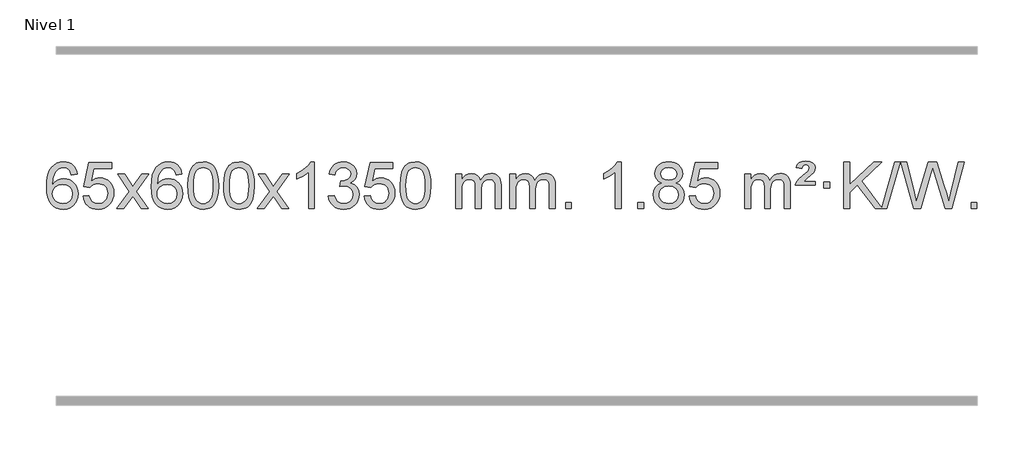
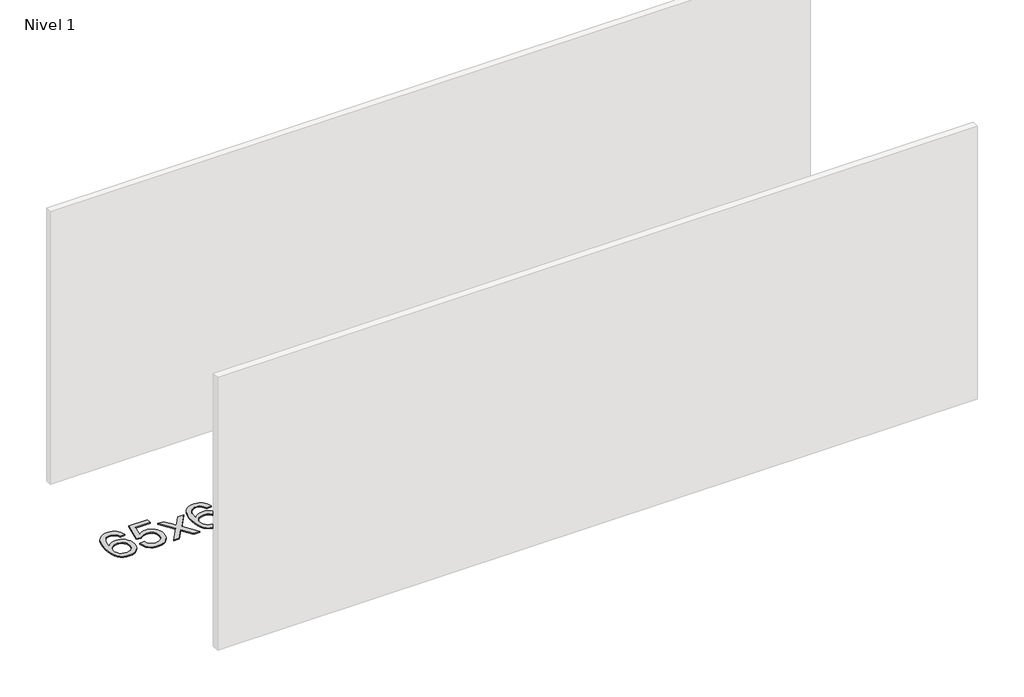
# One storey, part 6 of 7: 1 proxy.
"""IFC4 building model written with IfcOpenShell, lengths in millimetres."""

from ifc_helpers import new_model, si_unit, origin, origin_with_axes, place, context, project, spatial, polyline, outline, extrude, element, save

model = new_model("IFC4")

# Units and contexts
model_context = context("Model", 3, world=origin())
ifc_project = project(units=[si_unit("LENGTHUNIT", "METRE", prefix="MILLI")], contexts=[model_context])

# Site, building, storey
site = spatial("IfcSite", under=ifc_project)
building = spatial("IfcBuilding", under=site)
storey = spatial("IfcBuildingStorey", under=building, Name="Nivel 1", Elevation=0.0)

# Proxy
placement = place(None, origin())
element("IfcBuildingElementProxy", 1, Name="Texto de modelo 1", ObjectType="Texto de modelo 1", at=placement, inside=storey, context=model_context, shape_type="SweptSolid", body=[
    extrude(outline(polyline([(-6352.5741406, -96.4890419), (-6402.8022957, -102.7675613), (-6410.8956996, -77.874213), (-6421.8340576, -60.8780648), (-6444.6182158, -45.2062918), (-6472.1603145, -39.9823675), (-6495.5085585, -43.0235253), (-6517.4833763, -52.1469988), (-6536.3557227, -71.3627017), (-6551.7699783, -97.8134171), (-6562.1810387, -135.227016), (-6566.0437997, -187.3313693), (-6545.8961291, -163.8237098), (-6521.7508075, -147.2567573), (-6494.9567355, -137.434308), (-6466.8628138, -134.1601582), (-6442.7297549, -136.398107), (-6420.4606315, -143.1119534), (-6400.0554435, -154.3016975), (-6381.5141909, -169.9673391), (-6366.1060667, -189.1769106), (-6355.1002637, -210.9984443), (-6348.4967818, -235.4319401), (-6346.2956212, -262.4773982), (-6350.440425, -298.4439945), (-6362.8748365, -331.786366), (-6382.568786, -360.0642287), (-6408.4922039, -380.8372987), (-6439.4678679, -393.602804), (-6474.3185556, -397.8579724), (-6504.2610843, -395.0375437), (-6531.3034766, -386.5762579), (-6555.4457325, -372.4741147), (-6576.6878521, -352.7311143), (-6594.005897, -326.5133908), (-6606.3759291, -292.9870783), (-6613.7979483, -252.1521768), (-6616.2719548, -204.0086864), (-6613.5251025, -150.0342663), (-6605.2845458, -103.9693092), (-6591.5502847, -65.8138149), (-6572.3223191, -35.5677835), (-6551.481804, -15.5243462), (-6527.3180883, -1.2076052), (-6499.8311719, 7.3824394), (-6469.0210548, 10.2457876), (-6445.8874087, 8.4738227), (-6424.9487918, 3.1579278), (-6406.2052042, -5.7018969), (-6389.6566457, -18.1056515), (-6375.7507063, -33.6364031), (-6364.9349757, -51.8772186), (-6357.2094538, -72.8280983), (-6352.5741406, -96.4890419)]), holes=[polyline([(-6566.0437997, -261.6925832), (-6563.1375319, -283.9494439), (-6554.4187286, -305.2007605), (-6540.8806712, -323.472233), (-6523.516641, -336.7895612), (-6502.5596301, -344.9197533), (-6478.2426302, -347.6298173), (-6445.0964624, -342.0134855), (-6431.1813259, -334.9930708), (-6419.0381544, -325.1644901), (-6409.188114, -312.9262824), (-6402.1523708, -298.6769865), (-6396.5237763, -264.1451299), (-6402.0787944, -230.9989621), (-6409.0225671, -217.3781312), (-6418.7438488, -205.725469), (-6430.9238085, -196.3904634), (-6445.2436152, -189.7226022), (-6480.3027693, -184.3883133), (-6513.3998862, -189.7226022), (-6541.0768749, -205.725469), (-6551.9999045, -217.2248471), (-6559.8020685, -230.3858254), (-6564.4833669, -245.2084042), (-6566.0437997, -261.6925832)])]), origin_with_axes(), (0.0, 0.0, 1.0), 10.0),
    extrude(outline(polyline([(-6302.3459855, -284.8446235), (-6252.1178305, -278.5661041), (-6242.8962551, -308.7201649), (-6226.8075492, -330.3148381), (-6203.9252891, -343.3010725), (-6174.3230512, -347.6298173), (-6155.1931875, -346.1245668), (-6138.3196666, -341.6088153), (-6123.7024887, -334.0825628), (-6111.3416537, -323.5458094), (-6101.513073, -310.519721), (-6094.4926583, -295.5254641), (-6088.8763265, -259.6324441), (-6094.137039, -225.8363514), (-6100.7129297, -211.9181493), (-6109.9191766, -199.9865099), (-6121.7864366, -190.4154467), (-6136.3453666, -183.5789729), (-6173.5382363, -178.1097939), (-6197.9042871, -180.2925604), (-6217.6350248, -186.8408599), (-6233.3926369, -196.8717757), (-6245.8393111, -209.5023908), (-6296.0674662, -203.2238715), (-6252.1178305, 3.9672682), (-6057.4837296, 3.9672682), (-6057.4837296, -46.2608869), (-6211.5036582, -46.2608869), (-6232.9879667, -156.919791), (-6215.2621859, -144.2155994), (-6197.1072095, -135.1411769), (-6178.5230373, -129.6965234), (-6159.5096696, -127.8816388), (-6135.0485826, -130.1318504), (-6112.5801897, -136.882485), (-6092.104491, -148.1335427), (-6073.6214864, -163.8850234), (-6058.3206611, -183.1743027), (-6047.3915002, -205.038756), (-6040.8340036, -229.4783832), (-6038.6481714, -256.4931844), (-6040.6163401, -282.5147042), (-6046.5208461, -306.7213394), (-6056.3616895, -329.1130902), (-6070.1388702, -349.6899565), (-6091.0100421, -370.7634634), (-6115.3638301, -385.8159684), (-6143.2002344, -394.8474714), (-6174.519255, -397.8579724), (-6200.4396072, -395.9235262), (-6223.8522305, -390.1201877), (-6244.7571249, -380.447957), (-6263.1542903, -366.9068338), (-6278.461247, -350.1712688), (-6290.0955151, -330.915712), (-6298.0570946, -309.1401636), (-6302.3459855, -284.8446235)])), origin_with_axes(), (0.0, 0.0, 1.0), 10.0),
    extrude(outline(polyline([(-6013.5340939, -391.579453), (-5906.2106531, -243.2494325), (-6007.2555745, -96.4890419), (-5946.8248254, -96.4890419), (-5898.0681983, -167.122385), (-5875.3085655, -200.4770192), (-5855.5900906, -173.2047007), (-5800.0644348, -96.4890419), (-5739.6336857, -96.4890419), (-5845.7799041, -243.2494325), (-5743.5577603, -391.579453), (-5803.9885094, -391.579453), (-5865.498379, -302.4048574), (-5876.7800935, -286.1199477), (-5953.1033448, -391.579453), (-6013.5340939, -391.579453)])), origin_with_axes(), (0.0, 0.0, 1.0), 10.0),
    extrude(outline(polyline([(-5454.7458687, -96.4890419), (-5504.9740237, -102.7675613), (-5513.0674276, -77.874213), (-5524.0057856, -60.8780648), (-5546.7899439, -45.2062918), (-5574.3320426, -39.9823675), (-5597.6802865, -43.0235253), (-5619.6551044, -52.1469988), (-5638.5274507, -71.3627017), (-5653.9417063, -97.8134171), (-5664.3527668, -135.227016), (-5668.2155277, -187.3313693), (-5648.0678571, -163.8237098), (-5623.9225355, -147.2567573), (-5597.1284635, -137.434308), (-5569.0345418, -134.1601582), (-5544.9014829, -136.398107), (-5522.6323595, -143.1119534), (-5502.2271715, -154.3016975), (-5483.6859189, -169.9673391), (-5468.2777947, -189.1769106), (-5457.2719917, -210.9984443), (-5450.6685099, -235.4319401), (-5448.4673493, -262.4773982), (-5452.6121531, -298.4439945), (-5465.0465645, -331.786366), (-5484.740514, -360.0642287), (-5510.6639319, -380.8372987), (-5541.6395959, -393.602804), (-5576.4902836, -397.8579724), (-5606.4328123, -395.0375437), (-5633.4752046, -386.5762579), (-5657.6174606, -372.4741147), (-5678.8595801, -352.7311143), (-5696.177625, -326.5133908), (-5708.5476571, -292.9870783), (-5715.9696764, -252.1521768), (-5718.4436828, -204.0086864), (-5715.6968306, -150.0342663), (-5707.4562739, -103.9693092), (-5693.7220127, -65.8138149), (-5674.4940471, -35.5677835), (-5653.6535321, -15.5243462), (-5629.4898164, -1.2076052), (-5602.0029, 7.3824394), (-5571.1927829, 10.2457876), (-5548.0591367, 8.4738227), (-5527.1205198, 3.1579278), (-5508.3769322, -5.7018969), (-5491.8283738, -18.1056515), (-5477.9224344, -33.6364031), (-5467.1067037, -51.8772186), (-5459.3811818, -72.8280983), (-5454.7458687, -96.4890419)]), holes=[polyline([(-5668.2155277, -261.6925832), (-5665.30926, -283.9494439), (-5656.5904567, -305.2007605), (-5643.0523993, -323.472233), (-5625.6883691, -336.7895612), (-5604.7313581, -344.9197533), (-5580.4143582, -347.6298173), (-5547.2681904, -342.0134855), (-5533.353054, -334.9930708), (-5521.2098825, -325.1644901), (-5511.359842, -312.9262824), (-5504.3240989, -298.6769865), (-5498.6955043, -264.1451299), (-5504.2505225, -230.9989621), (-5511.1942951, -217.3781312), (-5520.9155769, -205.725469), (-5533.0955366, -196.3904634), (-5547.4153432, -189.7226022), (-5582.4744974, -184.3883133), (-5615.5716142, -189.7226022), (-5643.248603, -205.725469), (-5654.1716326, -217.2248471), (-5661.9737965, -230.3858254), (-5666.6550949, -245.2084042), (-5668.2155277, -261.6925832)])]), origin_with_axes(), (0.0, 0.0, 1.0), 10.0),
    extrude(outline(polyline([(-5404.5177136, -193.9041943), (-5400.8266309, -129.5861588), (-5389.7533828, -78.2911459), (-5371.408334, -39.2343407), (-5359.550271, -24.0009605), (-5345.901849, -11.6309284), (-5330.4170827, -2.0598651), (-5313.0499869, 4.7766086), (-5272.6688065, 10.2457876), (-5241.717668, 7.008426), (-5214.003891, -2.7036586), (-5190.8273253, -18.5103217), (-5173.4878206, -40.0314184), (-5160.3912216, -67.0830078), (-5149.9433729, -99.4811488), (-5143.1007678, -140.6226186), (-5140.8198994, -193.9041943), (-5144.4741939, -257.8543477), (-5155.4370774, -309.0267333), (-5173.6717616, -348.1203266), (-5185.5022334, -363.3996922), (-5199.1414584, -375.8341036), (-5214.6446188, -385.4695462), (-5232.066897, -392.3520052), (-5272.6688065, -397.8579724), (-5300.3335326, -395.4667394), (-5324.8589989, -388.2930405), (-5346.2452055, -376.3368757), (-5364.4921525, -359.5982449), (-5382.0033355, -329.3399508), (-5394.5113233, -291.6381776), (-5402.016116, -246.4929255), (-5404.5177136, -193.9041943)]), holes=[polyline([(-5354.2895585, -193.8060924), (-5352.8180305, -237.4706195), (-5348.4034466, -272.8148822), (-5341.0458067, -299.8388804), (-5330.7451108, -318.5426142), (-5318.2861739, -331.2682656), (-5304.4538109, -340.3580165), (-5289.2480218, -345.8118671), (-5272.6688065, -347.6298173), (-5256.0895913, -345.8057357), (-5240.8838021, -340.3334911), (-5227.0514391, -331.2130833), (-5214.5925022, -318.4445124), (-5204.2918063, -299.7101217), (-5196.9341664, -272.6922549), (-5192.5195825, -237.3909118), (-5191.0480545, -193.8060924), (-5192.4705316, -151.2973278), (-5196.7379627, -116.5753989), (-5203.8503479, -89.6403055), (-5213.8076873, -70.4920476), (-5226.0581577, -57.1440625), (-5240.0499363, -47.6097875), (-5255.7830229, -41.8892225), (-5273.2574177, -39.9823675), (-5289.7507938, -41.6623619), (-5304.6990656, -46.7023452), (-5318.1022329, -55.1023175), (-5329.9602959, -66.8622786), (-5340.6043483, -87.708925), (-5348.2072429, -115.8151094), (-5352.7689796, -151.1808319), (-5354.2895585, -193.8060924)])]), origin_with_axes(), (0.0, 0.0, 1.0), 10.0),
    extrude(outline(polyline([(-5096.8702638, -193.9041943), (-5093.1791811, -129.5861588), (-5082.105933, -78.2911459), (-5063.7608842, -39.2343407), (-5051.9028212, -24.0009605), (-5038.2543992, -11.6309284), (-5022.7696329, -2.0598651), (-5005.402537, 4.7766086), (-4965.0213567, 10.2457876), (-4934.0702182, 7.008426), (-4906.3564412, -2.7036586), (-4883.1798755, -18.5103217), (-4865.8403708, -40.0314184), (-4852.7437718, -67.0830078), (-4842.2959231, -99.4811488), (-4835.453318, -140.6226186), (-4833.1724496, -193.9041943), (-4836.8267441, -257.8543477), (-4847.7896275, -309.0267333), (-4866.0243118, -348.1203266), (-4877.8547836, -363.3996922), (-4891.4940086, -375.8341036), (-4906.997169, -385.4695462), (-4924.4194471, -392.3520052), (-4965.0213567, -397.8579724), (-4992.6860827, -395.4667394), (-5017.2115491, -388.2930405), (-5038.5977557, -376.3368757), (-5056.8447027, -359.5982449), (-5074.3558856, -329.3399508), (-5086.8638735, -291.6381776), (-5094.3686662, -246.4929255), (-5096.8702638, -193.9041943)]), holes=[polyline([(-5046.6421087, -193.8060924), (-5045.1705807, -237.4706195), (-5040.7559968, -272.8148822), (-5033.3983568, -299.8388804), (-5023.097661, -318.5426142), (-5010.6387241, -331.2682656), (-4996.8063611, -340.3580165), (-4981.6005719, -345.8118671), (-4965.0213567, -347.6298173), (-4948.4421414, -345.8057357), (-4933.2363523, -340.3334911), (-4919.4039893, -331.2130833), (-4906.9450524, -318.4445124), (-4896.6443565, -299.7101217), (-4889.2867166, -272.6922549), (-4884.8721327, -237.3909118), (-4883.4006047, -193.8060924), (-4884.8230817, -151.2973278), (-4889.0905129, -116.5753989), (-4896.2028981, -89.6403055), (-4906.1602375, -70.4920476), (-4918.4107079, -57.1440625), (-4932.4024864, -47.6097875), (-4948.1355731, -41.8892225), (-4965.6099679, -39.9823675), (-4982.103344, -41.6623619), (-4997.0516157, -46.7023452), (-5010.4547831, -55.1023175), (-5022.3128461, -66.8622786), (-5032.9568985, -87.708925), (-5040.559793, -115.8151094), (-5045.1215298, -151.1808319), (-5046.6421087, -193.8060924)])]), origin_with_axes(), (0.0, 0.0, 1.0), 10.0),
    extrude(outline(polyline([(-4808.0583721, -391.579453), (-4700.7349313, -243.2494325), (-4801.7798527, -96.4890419), (-4741.3491036, -96.4890419), (-4692.5924765, -167.122385), (-4669.8328437, -200.4770192), (-4650.1143688, -173.2047007), (-4594.588713, -96.4890419), (-4534.1579639, -96.4890419), (-4640.3041823, -243.2494325), (-4538.0820385, -391.579453), (-4598.5127876, -391.579453), (-4660.0226572, -302.4048574), (-4671.3043717, -286.1199477), (-4747.627623, -391.579453), (-4808.0583721, -391.579453)])), origin_with_axes(), (0.0, 0.0, 1.0), 10.0),
    extrude(outline(polyline([(-4318.3338601, -391.579453), (-4368.5620152, -391.579453), (-4368.5620152, -78.4382987), (-4389.5312889, -95.3976587), (-4416.1414199, -112.3324932), (-4469.0183253, -137.6918254), (-4469.0183253, -90.2105225), (-4429.5691127, -68.7507395), (-4395.3928753, -43.219729), (-4368.4516506, -16.0700378), (-4350.7074757, 10.2457876), (-4318.3338601, 10.2457876), (-4318.3338601, -391.579453)])), origin_with_axes(), (0.0, 0.0, 1.0), 10.0),
    extrude(outline(polyline([(-4199.0419918, -284.8446235), (-4148.8138367, -278.5661041), (-4137.5689104, -310.1303793), (-4121.1000597, -331.4430095), (-4098.5979444, -343.5831154), (-4069.2532239, -347.6298173), (-4034.8194691, -342.0625364), (-4020.5456477, -335.1034354), (-4008.2338636, -325.3606939), (-3991.2377154, -300.4428201), (-3985.5723327, -270.2274455), (-3991.1886645, -241.5449126), (-4008.0376599, -218.2825078), (-4033.5441449, -202.8682522), (-4065.1329455, -197.730167), (-4100.3515152, -203.2238715), (-4094.7597089, -152.9957164), (-4086.7153559, -153.5843276), (-4056.6226087, -149.979084), (-4029.7181721, -139.1633534), (-4018.6449241, -130.9841103), (-4010.7354612, -120.8673555), (-4005.9897835, -108.8130888), (-4004.4078909, -94.8213102), (-4008.9941531, -73.1285352), (-4022.7529397, -55.5315131), (-4043.7467389, -43.8696539), (-4070.0380388, -39.9823675), (-4096.3783897, -43.9064421), (-4117.9117491, -55.6786659), (-4133.632573, -75.299039), (-4142.5353173, -102.7675613), (-4192.7634724, -96.4890419), (-4186.8099154, -72.5092672), (-4177.9746162, -51.3867093), (-4166.2575747, -33.1213683), (-4151.6587908, -17.713244), (-4134.6381172, -5.4811677), (-4115.6554062, 3.2560297), (-4094.710658, 8.4983481), (-4071.8038724, 10.2457876), (-4040.2273345, 6.7999596), (-4011.2259705, -3.5375245), (-3986.7740806, -19.8469596), (-3968.8459647, -41.2086408), (-3957.846293, -65.8199463), (-3954.1797358, -91.8782543), (-3957.662352, -116.1584659), (-3968.1102007, -138.1823347), (-3985.376129, -156.9443165), (-4009.3129841, -171.4388671), (-3977.8713363, -184.1430586), (-3954.5721433, -205.77452), (-3940.151169, -235.1560286), (-3935.3441776, -271.1103623), (-3937.7476733, -296.5923218), (-3944.9581605, -320.0631931), (-3956.975639, -341.5229762), (-3973.8001089, -360.971671), (-3994.2972674, -377.1094278), (-4017.3328116, -388.636397), (-4042.9067417, -395.5525785), (-4071.0190575, -397.8579724), (-4096.4274406, -395.8898037), (-4119.5794808, -389.9852977), (-4140.4751782, -380.1444543), (-4159.1145326, -366.3672736), (-4174.743386, -349.4630959), (-4186.6075804, -330.2412617), (-4194.7071156, -308.7017708), (-4199.0419918, -284.8446235)])), origin_with_axes(), (0.0, 0.0, 1.0), 10.0),
    extrude(outline(polyline([(-3891.394542, -284.8446235), (-3841.1663869, -278.5661041), (-3831.9448115, -308.7201649), (-3815.8561056, -330.3148381), (-3792.9738455, -343.3010725), (-3763.3716076, -347.6298173), (-3744.2417439, -346.1245668), (-3727.368223, -341.6088153), (-3712.7510451, -334.0825628), (-3700.3902101, -323.5458094), (-3690.5616294, -310.519721), (-3683.5412147, -295.5254641), (-3677.9248829, -259.6324441), (-3683.1855954, -225.8363514), (-3689.7614861, -211.9181493), (-3698.967733, -199.9865099), (-3710.834993, -190.4154467), (-3725.393923, -183.5789729), (-3762.5867927, -178.1097939), (-3786.9528435, -180.2925604), (-3806.6835812, -186.8408599), (-3822.4411933, -196.8717757), (-3834.8878675, -209.5023908), (-3885.1160226, -203.2238715), (-3841.1663869, 3.9672682), (-3646.532286, 3.9672682), (-3646.532286, -46.2608869), (-3800.5522146, -46.2608869), (-3822.0365231, -156.919791), (-3804.3107423, -144.2155994), (-3786.1557659, -135.1411769), (-3767.5715937, -129.6965234), (-3748.558226, -127.8816388), (-3724.097139, -130.1318504), (-3701.6287461, -136.882485), (-3681.1530474, -148.1335427), (-3662.6700428, -163.8850234), (-3647.3692175, -183.1743027), (-3636.4400566, -205.038756), (-3629.88256, -229.4783832), (-3627.6967278, -256.4931844), (-3629.6648965, -282.5147042), (-3635.5694025, -306.7213394), (-3645.4102459, -329.1130902), (-3659.1874266, -349.6899565), (-3680.0585985, -370.7634634), (-3704.4123865, -385.8159684), (-3732.2487908, -394.8474714), (-3763.5678114, -397.8579724), (-3789.4881636, -395.9235262), (-3812.9007869, -390.1201877), (-3833.8056813, -380.447957), (-3852.2028467, -366.9068338), (-3867.5098034, -350.1712688), (-3879.1440715, -330.915712), (-3887.105651, -309.1401636), (-3891.394542, -284.8446235)])), origin_with_axes(), (0.0, 0.0, 1.0), 10.0),
    extrude(outline(polyline([(-3583.7470921, -193.9041943), (-3580.0560094, -129.5861588), (-3568.9827614, -78.2911459), (-3550.6377126, -39.2343407), (-3538.7796496, -24.0009605), (-3525.1312276, -11.6309284), (-3509.6464612, -2.0598651), (-3492.2793654, 4.7766086), (-3451.8981851, 10.2457876), (-3420.9470465, 7.008426), (-3393.2332696, -2.7036586), (-3370.0567039, -18.5103217), (-3352.7171992, -40.0314184), (-3339.6206001, -67.0830078), (-3329.1727515, -99.4811488), (-3322.3301463, -140.6226186), (-3320.049278, -193.9041943), (-3323.7035725, -257.8543477), (-3334.6664559, -309.0267333), (-3352.9011401, -348.1203266), (-3364.731612, -363.3996922), (-3378.3708369, -375.8341036), (-3393.8739974, -385.4695462), (-3411.2962755, -392.3520052), (-3451.8981851, -397.8579724), (-3479.5629111, -395.4667394), (-3504.0883774, -388.2930405), (-3525.4745841, -376.3368757), (-3543.721531, -359.5982449), (-3561.232714, -329.3399508), (-3573.7407019, -291.6381776), (-3581.2454946, -246.4929255), (-3583.7470921, -193.9041943)]), holes=[polyline([(-3533.518937, -193.8060924), (-3532.0474091, -237.4706195), (-3527.6328251, -272.8148822), (-3520.2751852, -299.8388804), (-3509.9744894, -318.5426142), (-3497.5155525, -331.2682656), (-3483.6831894, -340.3580165), (-3468.4774003, -345.8118671), (-3451.8981851, -347.6298173), (-3435.3189698, -345.8057357), (-3420.1131807, -340.3334911), (-3406.2808176, -331.2130833), (-3393.8218807, -318.4445124), (-3383.5211849, -299.7101217), (-3376.163545, -272.6922549), (-3371.748961, -237.3909118), (-3370.2774331, -193.8060924), (-3371.6999101, -151.2973278), (-3375.9673412, -116.5753989), (-3383.0797265, -89.6403055), (-3393.0370658, -70.4920476), (-3405.2875363, -57.1440625), (-3419.2793148, -47.6097875), (-3435.0124015, -41.8892225), (-3452.4867962, -39.9823675), (-3468.9801724, -41.6623619), (-3483.9284441, -46.7023452), (-3497.3316115, -55.1023175), (-3509.1896744, -66.8622786), (-3519.8337268, -87.708925), (-3527.4366214, -115.8151094), (-3531.9983581, -151.1808319), (-3533.518937, -193.8060924)])]), origin_with_axes(), (0.0, 0.0, 1.0), 10.0),
    extrude(outline(polyline([(-3106.5796189, -391.579453), (-3106.5796189, -96.4890419), (-3056.3514638, -96.4890419), (-3056.3514638, -145.0494653), (-3041.2437766, -122.7435537), (-3021.8196072, -105.2691589), (-2998.7411434, -93.9751816), (-2972.6705727, -90.2105225), (-2944.7360665, -94.048758), (-2922.3443157, -105.5634645), (-2905.6179477, -123.9943524), (-2894.6795897, -148.5811324), (-2876.3713291, -123.0439906), (-2855.4878945, -104.803175), (-2832.0292859, -93.8586857), (-2805.9955034, -90.2105225), (-2785.8876867, -91.7280358), (-2768.2385479, -96.2805755), (-2753.0480872, -103.8681416), (-2740.3163045, -114.4907342), (-2730.2516663, -128.2709806), (-2723.0626389, -145.3315082), (-2718.7492225, -165.6723168), (-2717.3114171, -189.2934066), (-2717.3114171, -391.579453), (-2767.5395722, -391.579453), (-2767.5395722, -210.875817), (-2768.7045318, -185.8230531), (-2772.1994108, -168.9372695), (-2778.7477103, -157.3735121), (-2789.0729316, -148.2868268), (-2802.3534716, -142.4007149), (-2817.7677272, -140.4386776), (-2844.9787321, -145.4663982), (-2867.1620165, -160.54956), (-2875.7673895, -172.1194488), (-2881.9140845, -186.7182326), (-2886.8314405, -225.0024856), (-2886.8314405, -391.579453), (-2937.0595955, -391.579453), (-2937.0595955, -205.2840106), (-2939.9658633, -176.8835206), (-2948.6846666, -156.6254854), (-2964.0253458, -144.4853796), (-2986.7972413, -140.4386776), (-3006.1478342, -143.1364789), (-3023.9778483, -151.2298828), (-3038.6931281, -164.5226856), (-3048.6995183, -182.8186835), (-3054.4384775, -208.2025411), (-3056.3514638, -242.7589232), (-3056.3514638, -391.579453), (-3106.5796189, -391.579453)])), origin_with_axes(), (0.0, 0.0, 1.0), 10.0),
    extrude(outline(polyline([(-2641.9691845, -391.579453), (-2641.9691845, -96.4890419), (-2591.7410294, -96.4890419), (-2591.7410294, -145.0494653), (-2576.6333421, -122.7435537), (-2557.2091728, -105.2691589), (-2534.130709, -93.9751816), (-2508.0601382, -90.2105225), (-2480.1256321, -94.048758), (-2457.7338813, -105.5634645), (-2441.0075132, -123.9943524), (-2430.0691552, -148.5811324), (-2411.7608946, -123.0439906), (-2390.87746, -104.803175), (-2367.4188515, -93.8586857), (-2341.3850689, -90.2105225), (-2321.2772522, -91.7280358), (-2303.6281135, -96.2805755), (-2288.4376528, -103.8681416), (-2275.7058701, -114.4907342), (-2265.6412318, -128.2709806), (-2258.4522045, -145.3315082), (-2254.1387881, -165.6723168), (-2252.7009826, -189.2934066), (-2252.7009826, -391.579453), (-2302.9291377, -391.579453), (-2302.9291377, -210.875817), (-2304.0940974, -185.8230531), (-2307.5889763, -168.9372695), (-2314.1372758, -157.3735121), (-2324.4624972, -148.2868268), (-2337.7430372, -142.4007149), (-2353.1572928, -140.4386776), (-2380.3682977, -145.4663982), (-2402.551582, -160.54956), (-2411.156955, -172.1194488), (-2417.30365, -186.7182326), (-2422.221006, -225.0024856), (-2422.221006, -391.579453), (-2472.4491611, -391.579453), (-2472.4491611, -205.2840106), (-2475.3554289, -176.8835206), (-2484.0742321, -156.6254854), (-2499.4149113, -144.4853796), (-2522.1868068, -140.4386776), (-2541.5373998, -143.1364789), (-2559.3674138, -151.2298828), (-2574.0826936, -164.5226856), (-2584.0890839, -182.8186835), (-2589.828043, -208.2025411), (-2591.7410294, -242.7589232), (-2591.7410294, -391.579453), (-2641.9691845, -391.579453)])), origin_with_axes(), (0.0, 0.0, 1.0), 10.0),
    extrude(outline(polyline([(-2164.8017113, -391.579453), (-2164.8017113, -341.3512979), (-2114.5735562, -341.3512979), (-2114.5735562, -391.579453), (-2164.8017113, -391.579453)])), origin_with_axes(), (0.0, 0.0, 1.0), 10.0),
    extrude(outline(polyline([(-1687.634238, -391.579453), (-1737.8623931, -391.579453), (-1737.8623931, -78.4382987), (-1758.8316668, -95.3976587), (-1785.4417978, -112.3324932), (-1838.3187033, -137.6918254), (-1838.3187033, -90.2105225), (-1798.8694907, -68.7507395), (-1764.6932533, -43.219729), (-1737.7520285, -16.0700378), (-1720.0078536, 10.2457876), (-1687.634238, 10.2457876), (-1687.634238, -391.579453)])), origin_with_axes(), (0.0, 0.0, 1.0), 10.0),
    extrude(outline(polyline([(-1543.2282922, -391.579453), (-1543.2282922, -341.3512979), (-1493.0001371, -341.3512979), (-1493.0001371, -391.579453), (-1543.2282922, -391.579453)])), origin_with_axes(), (0.0, 0.0, 1.0), 10.0),
    extrude(outline(polyline([(-1338.1953936, -170.2616447), (-1365.0875674, -157.0178929), (-1383.9599138, -139.0652515), (-1395.1067382, -116.7716026), (-1398.8223464, -90.5048281), (-1396.7989954, -70.0199324), (-1390.7289425, -51.2395565), (-1380.6121876, -34.1637006), (-1366.4487308, -18.7923645), (-1348.9191537, -6.088173), (-1328.7040381, 2.9862496), (-1305.8033839, 8.4309031), (-1280.2171911, 10.2457876), (-1254.508371, 8.3879835), (-1231.4360386, 2.8145713), (-1211.0001937, -6.4744491), (-1193.2008365, -19.4790776), (-1178.7798623, -35.1508506), (-1168.4791665, -52.4413044), (-1162.2987489, -71.3504389), (-1160.2386098, -91.8782543), (-1163.905167, -117.2989001), (-1174.9048386, -139.2124043), (-1193.3602521, -157.0546811), (-1219.3940346, -170.2616447), (-1188.4796843, -186.1909351), (-1165.9775689, -209.6495436), (-1152.2555705, -239.5092989), (-1147.681571, -274.6420295), (-1149.9501766, -299.6947933), (-1156.7559935, -322.6628926), (-1168.0990217, -343.5463272), (-1183.9792612, -362.3450971), (-1203.5628461, -377.88198), (-1226.0159105, -388.9797536), (-1251.3384545, -395.6384177), (-1279.5304781, -397.8579724), (-1307.7225016, -395.6292206), (-1333.0450456, -388.9429654), (-1355.4981101, -377.7992066), (-1375.0816949, -362.1979443), (-1390.9619344, -343.26735), (-1402.3049626, -322.135595), (-1409.1107795, -298.8026795), (-1411.3793851, -273.2686033), (-1406.6214447, -236.7747094), (-1392.3476233, -206.7555386), (-1369.2936849, -184.2411605), (-1338.1953936, -170.2616447)]), holes=[polyline([(-1348.5941913, -91.9763561), (-1344.1428192, -113.902123), (-1330.7887027, -131.413306), (-1308.9242495, -142.8912243), (-1278.9418669, -146.717197), (-1249.6584601, -142.9157497), (-1228.1251006, -131.5114079), (-1214.8813488, -114.5888361), (-1210.4667648, -94.232699), (-1215.0285016, -73.1040098), (-1228.7137118, -55.629615), (-1250.5413768, -43.8941794), (-1279.5304781, -39.9823675), (-1308.7035203, -43.8083402), (-1330.4943971, -55.2862585), (-1344.0692428, -72.1107284), (-1348.5941913, -91.9763561)]), polyline([(-1361.1512301, -271.5027698), (-1359.0543027, -290.7184726), (-1352.7635206, -309.3210389), (-1341.1507123, -325.5446349), (-1323.0877063, -337.623427), (-1301.456245, -345.1282197), (-1279.1380706, -347.6298173), (-1244.9495705, -342.3691048), (-1231.0558938, -335.7932141), (-1219.2959327, -326.5869672), (-1203.2562777, -302.6869002), (-1197.9097261, -273.0723996), (-1203.427956, -242.9551269), (-1219.9826458, -218.5277625), (-1232.061438, -209.0854579), (-1246.2248948, -202.3409547), (-1280.8058023, -196.9453521), (-1314.5160558, -202.2673783), (-1328.2533826, -208.919911), (-1339.9121762, -218.2334569), (-1355.8414666, -242.1948375), (-1361.1512301, -271.5027698)])]), origin_with_axes(), (0.0, 0.0, 1.0), 10.0),
    extrude(outline(polyline([(-1103.7319353, -284.8446235), (-1053.5037802, -278.5661041), (-1044.2822049, -308.7201649), (-1028.193499, -330.3148381), (-1005.3112389, -343.3010725), (-975.709001, -347.6298173), (-956.5791372, -346.1245668), (-939.7056164, -341.6088153), (-925.0884384, -334.0825628), (-912.7276034, -323.5458094), (-902.8990228, -310.519721), (-895.878608, -295.5254641), (-890.2622762, -259.6324441), (-895.5229888, -225.8363514), (-902.0988794, -211.9181493), (-911.3051264, -199.9865099), (-923.1723864, -190.4154467), (-937.7313163, -183.5789729), (-974.9241861, -178.1097939), (-999.2902369, -180.2925604), (-1019.0209745, -186.8408599), (-1034.7785867, -196.8717757), (-1047.2252608, -209.5023908), (-1097.4534159, -203.2238715), (-1053.5037802, 3.9672682), (-858.8696793, 3.9672682), (-858.8696793, -46.2608869), (-1012.889608, -46.2608869), (-1034.3739165, -156.919791), (-1016.6481357, -144.2155994), (-998.4931592, -135.1411769), (-979.9089871, -129.6965234), (-960.8956193, -127.8816388), (-936.4345323, -130.1318504), (-913.9661395, -136.882485), (-893.4904407, -148.1335427), (-875.0074362, -163.8850234), (-859.7066109, -183.1743027), (-848.7774499, -205.038756), (-842.2199533, -229.4783832), (-840.0341212, -256.4931844), (-842.0022898, -282.5147042), (-847.9067959, -306.7213394), (-857.7476392, -329.1130902), (-871.5248199, -349.6899565), (-892.3959918, -370.7634634), (-916.7497799, -385.8159684), (-944.5861842, -394.8474714), (-975.9052047, -397.8579724), (-1001.825557, -395.9235262), (-1025.2381803, -390.1201877), (-1046.1430746, -380.447957), (-1064.5402401, -366.9068338), (-1079.8471968, -350.1712688), (-1091.4814649, -330.915712), (-1099.4430444, -309.1401636), (-1103.7319353, -284.8446235)])), origin_with_axes(), (0.0, 0.0, 1.0), 10.0),
    extrude(outline(polyline([(-626.5644621, -391.579453), (-626.5644621, -96.4890419), (-576.336307, -96.4890419), (-576.336307, -145.0494653), (-561.2286197, -122.7435537), (-541.8044504, -105.2691589), (-518.7259866, -93.9751816), (-492.6554158, -90.2105225), (-464.7209097, -94.048758), (-442.3291589, -105.5634645), (-425.6027909, -123.9943524), (-414.6644329, -148.5811324), (-396.3561722, -123.0439906), (-375.4727377, -104.803175), (-352.0141291, -93.8586857), (-325.9803466, -90.2105225), (-305.8725298, -91.7280358), (-288.2233911, -96.2805755), (-273.0329304, -103.8681416), (-260.3011477, -114.4907342), (-250.2365094, -128.2709806), (-243.0474821, -145.3315082), (-238.7340657, -165.6723168), (-237.2962603, -189.2934066), (-237.2962603, -391.579453), (-287.5244153, -391.579453), (-287.5244153, -210.875817), (-288.689375, -185.8230531), (-292.1842539, -168.9372695), (-298.7325535, -157.3735121), (-309.0577748, -148.2868268), (-322.3383148, -142.4007149), (-337.7525704, -140.4386776), (-364.9635753, -145.4663982), (-387.1468596, -160.54956), (-395.7522326, -172.1194488), (-401.8989276, -186.7182326), (-406.8162836, -225.0024856), (-406.8162836, -391.579453), (-457.0444387, -391.579453), (-457.0444387, -205.2840106), (-459.9507065, -176.8835206), (-468.6695098, -156.6254854), (-484.010189, -144.4853796), (-506.7820845, -140.4386776), (-526.1326774, -143.1364789), (-543.9626914, -151.2298828), (-558.6779713, -164.5226856), (-568.6843615, -182.8186835), (-574.4233206, -208.2025411), (-576.336307, -242.7589232), (-576.336307, -391.579453), (-626.5644621, -391.579453)])), origin_with_axes(), (0.0, 0.0, 1.0), 10.0),
    extrude(outline(polyline([(-193.3466246, -190.6668327), (-189.5206518, -174.8479069), (-181.1819933, -158.9799302), (-159.6731593, -133.8413272), (-127.7164766, -106.1030247), (-83.5706372, -68.726214), (-76.4337265, -57.1992448), (-74.0547563, -45.3779701), (-75.9432172, -33.2869152), (-81.6085999, -23.5012541), (-90.977328, -17.026531), (-103.9758252, -14.8682899), (-116.4102366, -16.4869707), (-125.26393, -21.343013), (-131.6896022, -30.8098431), (-136.8399501, -46.2608869), (-187.0681052, -39.9823675), (-176.2278491, -14.7701881), (-159.5995829, 2.7900458), (-135.834406, 13.0907417), (-103.5834178, 16.524307), (-67.8007624, 12.3917659), (-43.0545668, -0.0058573), (-28.6335926, -18.3386434), (-23.8266012, -40.2766731), (-27.9223541, -63.1834586), (-40.2096127, -84.8149199), (-60.737428, -104.6314968), (-97.2067965, -132.6886303), (-122.8113834, -159.2742358), (-23.8266012, -159.2742358), (-23.8266012, -190.6668327), (-193.3466246, -190.6668327)])), origin_with_axes(), (0.0, 0.0, 1.0), 10.0),
    extrude(outline(polyline([(51.5156314, -215.7809102), (51.5156314, -165.5527552), (101.7437865, -165.5527552), (101.7437865, -215.7809102), (51.5156314, -215.7809102)])), origin_with_axes(), (0.0, 0.0, 1.0), 10.0),
    extrude(outline(polyline([(492.3854144, -391.579453), (338.954097, -188.9009991), (271.2638099, -253.4520265), (271.2638099, -391.579453), (221.0356548, -391.579453), (221.0356548, 10.2457876), (271.2638099, 10.2457876), (271.2638099, -186.4484525), (477.2777272, 10.2457876), (547.5186628, 10.2457876), (374.5650741, -154.9577537), (549.218684, -385.5349332), (660.5320117, 10.2457876), (705.8550735, 10.2457876), (592.8417246, -391.579453), (553.7971822, -391.579453), (547.5186628, -391.579453), (492.3854144, -391.579453)])), origin_with_axes(), (0.0, 0.0, 1.0), 10.0),
    extrude(outline(polyline([(820.3399504, -391.579453), (710.7601668, 10.2457876), (762.5579517, 10.2457876), (826.1279605, -253.844434), (845.7483335, -335.3670841), (866.7421327, -263.2622131), (946.4008474, 10.2457876), (1021.056367, 10.2457876), (1078.9364675, -188.0180823), (1103.731714, -261.5944814), (1122.0031864, -335.3670841), (1141.0349483, -256.1988788), (1205.1935683, 10.2457876), (1256.9913532, 10.2457876), (1147.3134677, -391.579453), (1093.6517474, -391.579453), (997.3157155, -81.5775584), (983.87576, -38.3146358), (968.7680727, -90.4067263), (880.9669032, -391.579453), (820.3399504, -391.579453)])), origin_with_axes(), (0.0, 0.0, 1.0), 10.0),
    extrude(outline(polyline([(1313.4980277, -391.579453), (1313.4980277, -341.3512979), (1363.7261827, -341.3512979), (1363.7261827, -391.579453), (1313.4980277, -391.579453)])), origin_with_axes(), (0.0, 0.0, 1.0), 10.0),
])

save(model, "model.ifc")
